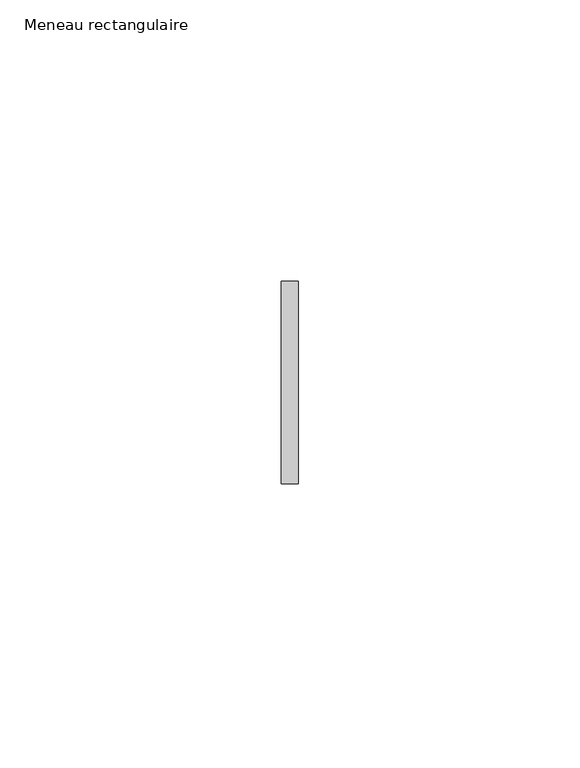
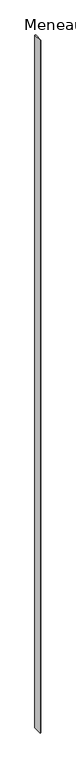
"""IFC4 building model written with IfcOpenShell, lengths in millimetres: member geometry, Meneau rectangulaire."""

from ifc_helpers import new_model, si_unit, frame, origin, place, context, project, spatial, polyline, outline, extrude, source, transform, mapped, element, save


def meneau_rectangulaire_bf67ff13(model_context):
    return source(origin(), model_context, "Body", "SweptSolid", [
        extrude(outline(polyline([(-1.5, 18.0), (1.5, 18.0), (1.5, -18.0), (-1.5, -18.0), (-1.5, 18.0)])), frame((0.0, 0.0, -2885.0), z_axis=(0.0, 0.0, 1.0), x_axis=(1.0, 0.0, 0.0)), (0.0, 0.0, 1.0), 2885.0),
    ])


if __name__ == "__main__":
    model = new_model("IFC4")
    model_context = context("Model", 3, world=origin())
    ifc_project = project(units=[si_unit("LENGTHUNIT", "METRE", prefix="MILLI")], contexts=[model_context])
    site = spatial("IfcSite", under=ifc_project)
    building = spatial("IfcBuilding", under=site)
    placement = place(None, origin())
    meneau_rectangulaire_shape = meneau_rectangulaire_bf67ff13(model_context)
    element("IfcMember", 1, ObjectType="Meneau rectangulaire", at=placement, inside=building, context=model_context, shape_type="MappedRepresentation", body=[
        mapped(meneau_rectangulaire_shape, transform((0.0, 0.0, 0.0), x_axis=(1.0, 0.0, 0.0), y_axis=(0.0, 1.0, 0.0), z_axis=(0.0, 0.0, 1.0))),
    ])
    save(model, "model.ifc")
